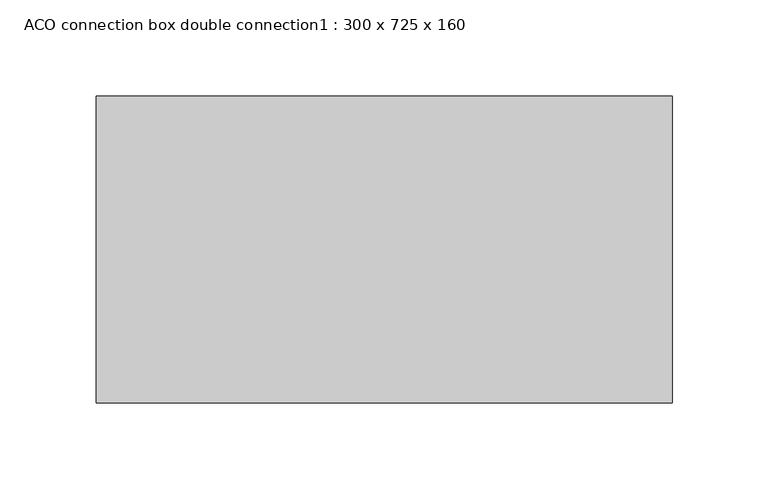
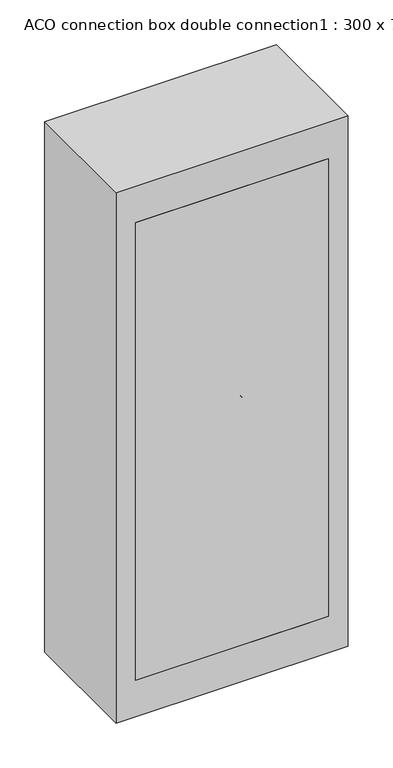
"""IFC4 building model written with IfcOpenShell, lengths in millimetres: furniture geometry, ACO connection box double connection1 : 300 x 725 x 160."""

from ifc_helpers import new_model, si_unit, point, frame, frame_2d, origin, place, context, project, spatial, polyline, circle_curve, trimmed, segment, composite_curve, outline, extrude, source, transform, mapped, element, save
from ifc_brep_helpers import plane_surface, cylinder_surface, revolved_surface, advanced_brep


def aco_connection_box_double_connection1_300_x_725_x_160_cc6d1901(model_context):
    return source(origin(), model_context, "Body", "SolidModel", [
        extrude(outline(composite_curve([segment(trimmed(circle_curve(frame_2d((325.0, 0.0)), 25.0), [point((300.0, 0.0))], [point((350.0, 0.0))], False, "CARTESIAN"), True, "CONTINUOUS"), segment(trimmed(circle_curve(frame_2d((325.0, 0.0)), 25.0), [point((350.0, 0.0))], [point((300.0, 0.0))], False, "CARTESIAN"), True, "CONTINUOUS")], self_intersect=False)), frame((0.0, 148.0, 0.0), z_axis=(0.0, 1.0, 0.0), x_axis=(0.0, 0.0, 1.0)), (0.0, 0.0, 1.0), 12.0),
        advanced_brep(
        [(0.0, 148.0, 277.0), (0.0, 148.0, 373.0), (0.0, 40.0, 277.0), (0.0, 40.0, 373.0), (0.0, 118.0, 373.0), (0.0, 118.0, 277.0), (0.0, 70.0, 277.0), (0.0, 70.0, 373.0), (0.0, 118.0, 250.0), (0.0, 118.0, 400.0), (0.0, 70.0, 250.0), (0.0, 70.0, 400.0)],
        [
            (0, 1, circle_curve(frame((0.0, 148.0, 325.0), z_axis=(0.0, 1.0, 0.0), x_axis=(0.0, 0.0, 1.0)), 48.0)),
            (1, 0, circle_curve(frame((0.0, 148.0, 325.0), z_axis=(0.0, 1.0, 0.0), x_axis=(0.0, 0.0, 1.0)), 48.0)),
            (2, 3, circle_curve(frame((0.0, 40.0, 325.0), z_axis=(0.0, -1.0, 0.0), x_axis=(0.0, 0.0, 1.0)), 48.0)),
            (3, 2, circle_curve(frame((0.0, 40.0, 325.0), z_axis=(0.0, -1.0, 0.0), x_axis=(0.0, 0.0, 1.0)), 48.0)),
            (1, 4),
            (4, 5, circle_curve(frame((0.0, 118.0, 325.0), z_axis=(0.0, 1.0, 0.0), x_axis=(0.0, 0.0, 1.0)), 48.0)),
            (5, 0),
            (2, 6),
            (6, 7, circle_curve(frame((0.0, 70.0, 325.0), z_axis=(0.0, -1.0, 0.0), x_axis=(0.0, 0.0, 1.0)), 48.0)),
            (7, 3),
            (5, 4, circle_curve(frame((0.0, 118.0, 325.0), z_axis=(0.0, 1.0, 0.0), x_axis=(0.0, 0.0, 1.0)), 48.0)),
            (7, 6, circle_curve(frame((0.0, 70.0, 325.0), z_axis=(0.0, -1.0, 0.0), x_axis=(0.0, 0.0, 1.0)), 48.0)),
            (8, 9, circle_curve(frame((0.0, 118.0, 325.0), z_axis=(0.0, 1.0, 0.0), x_axis=(0.0, 0.0, 1.0)), 75.0)),
            (9, 8, circle_curve(frame((0.0, 118.0, 325.0), z_axis=(0.0, 1.0, 0.0), x_axis=(0.0, 0.0, 1.0)), 75.0)),
            (10, 11, circle_curve(frame((0.0, 70.0, 325.0), z_axis=(0.0, -1.0, 0.0), x_axis=(0.0, 0.0, 1.0)), 75.0)),
            (11, 10, circle_curve(frame((0.0, 70.0, 325.0), z_axis=(0.0, -1.0, 0.0), x_axis=(0.0, 0.0, 1.0)), 75.0)),
            (9, 11),
            (10, 8),
        ],
        [
            plane_surface(frame((0.0, 148.0, 373.0), z_axis=(0.0, 1.0, 0.0), x_axis=(1.0, 0.0, 0.0))),
            plane_surface(frame((0.0, 40.0, 373.0), z_axis=(0.0, -1.0, 0.0), x_axis=(-1.0, 0.0, 0.0))),
            cylinder_surface(frame((0.0, 148.0, 325.0), z_axis=(0.0, -1.0, 0.0), x_axis=(0.0, 0.0, 1.0)), 48.0),
            plane_surface(frame((0.0, 118.0, 400.0), z_axis=(0.0, 1.0, 0.0), x_axis=(1.0, 0.0, 0.0))),
            plane_surface(frame((0.0, 70.0, 400.0), z_axis=(0.0, -1.0, 0.0), x_axis=(-1.0, 0.0, 0.0))),
            cylinder_surface(frame((0.0, 118.0, 325.0), z_axis=(0.0, -1.0, 0.0), x_axis=(0.0, 0.0, 1.0)), 75.0),
        ],
        [
            (0, [[1, 2]]),
            (1, [[3, 4]]),
            (2, [[-2, 5, 6, 7]]),
            (2, [[-3, 8, 9, 10]]),
            (2, [[-1, -7, 11, -5]]),
            (2, [[-4, -10, 12, -8]]),
            (3, [[13, 14], [-6, -11]]),
            (4, [[15, 16], [-9, -12]]),
            (5, [[-14, 17, -15, 18]]),
            (5, [[-13, -18, -16, -17]]),
        ],
    ),
        extrude(outline(composite_curve([segment(trimmed(circle_curve(frame_2d((150.0, 0.0)), 25.0), [point((125.0, 0.0))], [point((175.0, 0.0))], False, "CARTESIAN"), True, "CONTINUOUS"), segment(trimmed(circle_curve(frame_2d((150.0, 0.0)), 25.0), [point((175.0, 0.0))], [point((125.0, 0.0))], False, "CARTESIAN"), True, "CONTINUOUS")], self_intersect=False)), frame((0.0, 148.0, 0.0), z_axis=(0.0, 1.0, 0.0), x_axis=(0.0, 0.0, 1.0)), (0.0, 0.0, 1.0), 12.0),
        advanced_brep(
        [(0.0, 148.0, 102.0), (0.0, 148.0, 198.0), (0.0, 40.0, 102.0), (0.0, 40.0, 198.0), (0.0, 118.0, 198.0), (0.0, 118.0, 102.0), (0.0, 70.0, 102.0), (0.0, 70.0, 198.0), (0.0, 118.0, 75.0), (0.0, 118.0, 225.0), (0.0, 70.0, 75.0), (0.0, 70.0, 225.0)],
        [
            (0, 1, circle_curve(frame((0.0, 148.0, 150.0), z_axis=(0.0, 1.0, 0.0), x_axis=(0.0, 0.0, 1.0)), 48.0)),
            (1, 0, circle_curve(frame((0.0, 148.0, 150.0), z_axis=(0.0, 1.0, 0.0), x_axis=(0.0, 0.0, 1.0)), 48.0)),
            (2, 3, circle_curve(frame((0.0, 40.0, 150.0), z_axis=(0.0, -1.0, 0.0), x_axis=(0.0, 0.0, 1.0)), 48.0)),
            (3, 2, circle_curve(frame((0.0, 40.0, 150.0), z_axis=(0.0, -1.0, 0.0), x_axis=(0.0, 0.0, 1.0)), 48.0)),
            (1, 4),
            (4, 5, circle_curve(frame((0.0, 118.0, 150.0), z_axis=(0.0, 1.0, 0.0), x_axis=(0.0, 0.0, 1.0)), 48.0)),
            (5, 0),
            (2, 6),
            (6, 7, circle_curve(frame((0.0, 70.0, 150.0), z_axis=(0.0, -1.0, 0.0), x_axis=(0.0, 0.0, 1.0)), 48.0)),
            (7, 3),
            (5, 4, circle_curve(frame((0.0, 118.0, 150.0), z_axis=(0.0, 1.0, 0.0), x_axis=(0.0, 0.0, 1.0)), 48.0)),
            (7, 6, circle_curve(frame((0.0, 70.0, 150.0), z_axis=(0.0, -1.0, 0.0), x_axis=(0.0, 0.0, 1.0)), 48.0)),
            (8, 9, circle_curve(frame((0.0, 118.0, 150.0), z_axis=(0.0, 1.0, 0.0), x_axis=(0.0, 0.0, 1.0)), 75.0)),
            (9, 8, circle_curve(frame((0.0, 118.0, 150.0), z_axis=(0.0, 1.0, 0.0), x_axis=(0.0, 0.0, 1.0)), 75.0)),
            (10, 11, circle_curve(frame((0.0, 70.0, 150.0), z_axis=(0.0, -1.0, 0.0), x_axis=(0.0, 0.0, 1.0)), 75.0)),
            (11, 10, circle_curve(frame((0.0, 70.0, 150.0), z_axis=(0.0, -1.0, 0.0), x_axis=(0.0, 0.0, 1.0)), 75.0)),
            (9, 11),
            (10, 8),
        ],
        [
            plane_surface(frame((0.0, 148.0, 198.0), z_axis=(0.0, 1.0, 0.0), x_axis=(1.0, 0.0, 0.0))),
            plane_surface(frame((0.0, 40.0, 198.0), z_axis=(0.0, -1.0, 0.0), x_axis=(-1.0, 0.0, 0.0))),
            cylinder_surface(frame((0.0, 148.0, 150.0), z_axis=(0.0, -1.0, 0.0), x_axis=(0.0, 0.0, 1.0)), 48.0),
            plane_surface(frame((0.0, 118.0, 225.0), z_axis=(0.0, 1.0, 0.0), x_axis=(1.0, 0.0, 0.0))),
            plane_surface(frame((0.0, 70.0, 225.0), z_axis=(0.0, -1.0, 0.0), x_axis=(-1.0, 0.0, 0.0))),
            cylinder_surface(frame((0.0, 118.0, 150.0), z_axis=(0.0, -1.0, 0.0), x_axis=(0.0, 0.0, 1.0)), 75.0),
        ],
        [
            (0, [[1, 2]]),
            (1, [[3, 4]]),
            (2, [[-2, 5, 6, 7]]),
            (2, [[-3, 8, 9, 10]]),
            (2, [[-1, -7, 11, -5]]),
            (2, [[-4, -10, 12, -8]]),
            (3, [[13, 14], [-6, -11]]),
            (4, [[15, 16], [-9, -12]]),
            (5, [[-14, 17, -15, 18]]),
            (5, [[-13, -18, -16, -17]]),
        ],
    ),
        extrude(outline(polyline([(124.5, 0.0), (-124.5, 0.0), (-124.5, 50.0), (124.5, 50.0), (124.5, 0.0)])), frame((0.0, 0.0, 50.0), z_axis=(0.0, 0.0, 1.0), x_axis=(1.0, 0.0, 0.0)), (0.0, 0.0, 1.0), 625.0),
        advanced_brep(
        [(150.0, 160.0, 725.0), (-150.0, 160.0, 725.0), (-150.0, 0.0, 725.0), (150.0, 0.0, 725.0), (150.0, 160.0, 0.0), (150.0, 0.0, 0.0), (-150.0, 0.0, 0.0), (-150.0, 160.0, 0.0), (-40.0, 160.0, 150.0), (40.0, 160.0, 150.0), (-40.0, 160.0, 325.0), (40.0, 160.0, 325.0), (-100.0, 0.0, 675.0), (100.0, 0.0, 675.0), (100.0, 0.0, 50.0), (-100.0, 0.0, 50.0), (148.0, 158.0, 675.0), (148.0, 2.0, 675.0), (100.0, 2.0, 675.0), (-100.0, 2.0, 675.0), (-148.0, 2.0, 675.0), (-148.0, 158.0, 675.0), (148.0, 158.0, 50.0), (-148.0, 158.0, 50.0), (-148.0, 2.0, 50.0), (-100.0, 2.0, 50.0), (100.0, 2.0, 50.0), (148.0, 2.0, 50.0), (40.0, 158.0, 150.0), (-40.0, 158.0, 150.0), (40.0, 158.0, 325.0), (-40.0, 158.0, 325.0)],
        [
            (0, 1),
            (1, 2),
            (2, 3),
            (3, 0),
            (4, 5),
            (5, 6),
            (6, 7),
            (7, 4),
            (0, 4),
            (7, 1),
            (8, 9, circle_curve(frame((0.0, 160.0, 150.0), z_axis=(0.0, -1.0, 0.0), x_axis=(1.0, 0.0, 0.0)), 40.0)),
            (9, 8, circle_curve(frame((0.0, 160.0, 150.0), z_axis=(0.0, -1.0, 0.0), x_axis=(1.0, 0.0, 0.0)), 40.0)),
            (10, 11, circle_curve(frame((0.0, 160.0, 325.0), z_axis=(0.0, -1.0, 0.0), x_axis=(1.0, 0.0, 0.0)), 40.0)),
            (11, 10, circle_curve(frame((0.0, 160.0, 325.0), z_axis=(0.0, -1.0, 0.0), x_axis=(1.0, 0.0, 0.0)), 40.0)),
            (6, 2),
            (5, 3),
            (12, 13),
            (13, 14),
            (14, 15),
            (15, 12),
            (16, 17),
            (17, 18),
            (18, 13),
            (12, 19),
            (19, 20),
            (20, 21),
            (21, 16),
            (22, 23),
            (23, 24),
            (24, 25),
            (25, 15),
            (14, 26),
            (26, 27),
            (27, 22),
            (21, 23),
            (22, 16),
            (28, 29, circle_curve(frame((0.0, 158.0, 150.0), z_axis=(0.0, 1.0, 0.0), x_axis=(1.0, 0.0, 0.0)), 40.0)),
            (29, 28, circle_curve(frame((0.0, 158.0, 150.0), z_axis=(0.0, 1.0, 0.0), x_axis=(1.0, 0.0, 0.0)), 40.0)),
            (30, 31, circle_curve(frame((0.0, 158.0, 325.0), z_axis=(0.0, 1.0, 0.0), x_axis=(1.0, 0.0, 0.0)), 40.0)),
            (31, 30, circle_curve(frame((0.0, 158.0, 325.0), z_axis=(0.0, 1.0, 0.0), x_axis=(1.0, 0.0, 0.0)), 40.0)),
            (27, 17),
            (20, 24),
            (19, 25),
            (18, 26),
            (28, 9),
            (8, 29),
            (30, 11),
            (10, 31),
        ],
        [
            plane_surface(frame((-150.0, 160.0, 725.0), z_axis=(0.0, 0.0, 1.0), x_axis=(-1.0, 0.0, 0.0))),
            plane_surface(frame((-150.0, 160.0, 0.0), z_axis=(0.0, 0.0, -1.0), x_axis=(1.0, 0.0, 0.0))),
            plane_surface(frame((150.0, 160.0, 725.0), z_axis=(0.0, 1.0, 0.0), x_axis=(0.0, 0.0, -1.0))),
            plane_surface(frame((-150.0, 160.0, 725.0), z_axis=(-1.0, 0.0, 0.0), x_axis=(0.0, 0.0, -1.0))),
            plane_surface(frame((-150.0, 0.0, 725.0), z_axis=(0.0, -1.0, 0.0), x_axis=(0.0, 0.0, -1.0))),
            plane_surface(frame((150.0, 0.0, 725.0), z_axis=(1.0, 0.0, 0.0), x_axis=(0.0, 0.0, -1.0))),
            plane_surface(frame((-148.0, 158.0, 675.0), z_axis=(0.0, 0.0, -1.0), x_axis=(-1.0, 0.0, 0.0))),
            plane_surface(frame((-148.0, 158.0, 50.0), z_axis=(0.0, 0.0, 1.0), x_axis=(1.0, 0.0, 0.0))),
            plane_surface(frame((148.0, 158.0, 675.0), z_axis=(0.0, -1.0, 0.0), x_axis=(0.0, 0.0, -1.0))),
            plane_surface(frame((148.0, 2.0, 675.0), z_axis=(-1.0, 0.0, 0.0), x_axis=(0.0, 0.0, -1.0))),
            plane_surface(frame((-148.0, 158.0, 675.0), z_axis=(1.0, 0.0, 0.0), x_axis=(0.0, 0.0, -1.0))),
            plane_surface(frame((-148.0, 2.0, 675.0), z_axis=(0.0, 1.0, 0.0), x_axis=(0.0, 0.0, -1.0))),
            plane_surface(frame((-100.0, 2.0, 675.0), z_axis=(1.0, 0.0, 0.0), x_axis=(0.0, 0.0, -1.0))),
            plane_surface(frame((100.0, 0.0, 675.0), z_axis=(-1.0, 0.0, 0.0), x_axis=(0.0, 0.0, -1.0))),
            plane_surface(frame((100.0, 2.0, 675.0), z_axis=(0.0, 1.0, 0.0), x_axis=(0.0, 0.0, -1.0))),
            revolved_surface(polyline([(40.0, 158.0, 150.0), (40.0, 160.0, 150.0)]), (0.0, 160.0, 150.0), (0.0, -1.0, 0.0)),
            revolved_surface(polyline([(40.0, 158.0, 325.0), (40.0, 160.0, 325.0)]), (0.0, 160.0, 325.0), (0.0, -1.0, 0.0)),
        ],
        [
            (0, [[1, 2, 3, 4]]),
            (1, [[5, 6, 7, 8]]),
            (2, [[-1, 9, -8, 10], [11, 12], [13, 14]]),
            (3, [[-2, -10, -7, 15]]),
            (4, [[-3, -15, -6, 16], [17, 18, 19, 20]]),
            (5, [[-4, -16, -5, -9]]),
            (6, [[21, 22, 23, -17, 24, 25, 26, 27]]),
            (7, [[28, 29, 30, 31, -19, 32, 33, 34]]),
            (8, [[-27, 35, -28, 36], [37, 38], [39, 40]]),
            (9, [[-21, -36, -34, 41]]),
            (10, [[-26, 42, -29, -35]]),
            (11, [[-25, 43, -30, -42]]),
            (12, [[-24, -20, -31, -43]]),
            (13, [[-23, 44, -32, -18]]),
            (14, [[-22, -41, -33, -44]]),
            (15, [[45, -11, 46, -37]]),
            (15, [[-45, -38, -46, -12]]),
            (16, [[47, -13, 48, -39]]),
            (16, [[-47, -40, -48, -14]]),
        ],
    ),
    ])


if __name__ == "__main__":
    model = new_model("IFC4")
    model_context = context("Model", 3, world=origin())
    ifc_project = project(units=[si_unit("LENGTHUNIT", "METRE", prefix="MILLI")], contexts=[model_context])
    site = spatial("IfcSite", under=ifc_project)
    building = spatial("IfcBuilding", under=site)
    placement = place(None, origin())
    aco_connection_box_double_connection1_300_x_725_x_160_shape = aco_connection_box_double_connection1_300_x_725_x_160_cc6d1901(model_context)
    element("IfcFurniture", 1, ObjectType="ACO connection box double connection1 : 300 x 725 x 160", at=placement, inside=building, context=model_context, shape_type="MappedRepresentation", body=[
        mapped(aco_connection_box_double_connection1_300_x_725_x_160_shape, transform((0.0, 0.0, 0.0), x_axis=(1.0, 0.0, 0.0), y_axis=(0.0, 1.0, 0.0), z_axis=(0.0, 0.0, 1.0))),
    ])
    save(model, "model.ifc")
